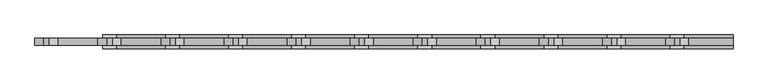
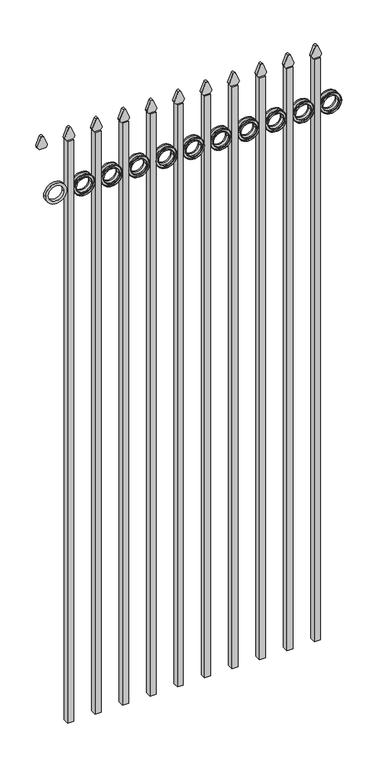
"""IFC4 building model written with IfcOpenShell, lengths in millimetres: railing geometry."""

from ifc_helpers import new_model, si_unit, point, frame, frame_2d, origin, place, context, project, spatial, polyline, circle_curve, trimmed, segment, composite_curve, outline, extrude, source, transform, mapped, element, save


def railing_fd68e981(model_context):
    return source(origin(), model_context, "Body", "SweptSolid", [
        extrude(outline(composite_curve([segment(polyline([(2683.8798417, -22591.9399936), (2683.8798417, -22566.2493116)]), True, "CONTINUOUS"), segment(trimmed(circle_curve(frame_2d((2702.1299402, -22580.4122336)), 23.1009622), [point((2683.8798417, -22566.2493116))], [point((2696.6676176, -22557.9663545))], False, "CARTESIAN"), True, "CONTINUOUS"), segment(polyline([(2696.6676176, -22557.9663545), (2737.1555225, -22574.2855644)]), True, "CONTINUOUS"), segment(trimmed(circle_curve(frame_2d((2734.0045804, -22579.4155764)), 6.0204202), [point((2737.1555225, -22574.2855644))], [point((2737.1555225, -22584.5455884))], False, "CARTESIAN"), True, "CONTINUOUS"), segment(polyline([(2737.1555225, -22584.5455884), (2697.9339948, -22600.4937724)]), True, "CONTINUOUS"), segment(trimmed(circle_curve(frame_2d((2702.1299402, -22577.7770716)), 23.1009622), [point((2697.9339948, -22600.4937724))], [point((2683.8798417, -22591.9399936))], False, "CARTESIAN"), True, "CONTINUOUS")], self_intersect=False)), frame((0.0, 5790.569541, 0.0), z_axis=(0.0, 1.0, 0.0), x_axis=(0.0, 0.0, 1.0)), (0.0, 0.0, 1.0), 12.7),
        extrude(outline(composite_curve([segment(trimmed(circle_curve(frame_2d((2461.3853669, -22520.4442595)), 45.6988591), [point((2461.3853669, -22474.7454004))], [point((2461.3853669, -22566.1431186))], False, "CARTESIAN"), True, "CONTINUOUS"), segment(trimmed(circle_curve(frame_2d((2461.3853669, -22520.4442595)), 45.6988591), [point((2461.3853669, -22566.1431186))], [point((2461.3853669, -22474.7454004))], False, "CARTESIAN"), True, "CONTINUOUS")], self_intersect=False), holes=[composite_curve([segment(trimmed(circle_curve(frame_2d((2461.3853669, -22520.4442595)), 33.0443887), [point((2461.3853669, -22487.3998708))], [point((2461.3853669, -22553.4886482))], True, "CARTESIAN"), True, "CONTINUOUS"), segment(trimmed(circle_curve(frame_2d((2461.3853669, -22520.4442595)), 33.0443887), [point((2461.3853669, -22553.4886482))], [point((2461.3853669, -22487.3998708))], True, "CARTESIAN"), True, "CONTINUOUS")], self_intersect=False)]), frame((0.0, 5790.569541, 0.0), z_axis=(0.0, 1.0, 0.0), x_axis=(0.0, 0.0, 1.0)), (0.0, 0.0, 1.0), 12.7),
        extrude(outline(polyline([(-22591.9399936, 5809.619541), (-22566.5399936, 5809.619541), (-22566.5399936, 5784.219541), (-22591.9399936, 5784.219541), (-22591.9399936, 5809.619541)])), frame((0.0, 0.0, 50.8), z_axis=(0.0, 0.0, 1.0), x_axis=(1.0, 0.0, 0.0)), (0.0, 0.0, 1.0), 2632.8579232),
        extrude(outline(composite_curve([segment(trimmed(circle_curve(frame_2d((2461.3853669, -22520.4442595)), 45.6988591), [point((2461.3853669, -22474.7454004))], [point((2461.3853669, -22566.1431186))], False, "CARTESIAN"), True, "CONTINUOUS"), segment(trimmed(circle_curve(frame_2d((2461.3853669, -22520.4442595)), 45.6988591), [point((2461.3853669, -22566.1431186))], [point((2461.3853669, -22474.7454004))], False, "CARTESIAN"), True, "CONTINUOUS")], self_intersect=False), holes=[composite_curve([segment(trimmed(circle_curve(frame_2d((2461.3853669, -22520.4442595)), 44.101539), [point((2461.3853669, -22476.3427205))], [point((2461.3853669, -22564.5457985))], True, "CARTESIAN"), True, "CONTINUOUS"), segment(trimmed(circle_curve(frame_2d((2461.3853669, -22520.4442595)), 44.101539), [point((2461.3853669, -22564.5457985))], [point((2461.3853669, -22476.3427205))], True, "CARTESIAN"), True, "CONTINUOUS")], self_intersect=False)]), frame((0.0, 5784.219541, 0.0), z_axis=(0.0, 1.0, 0.0), x_axis=(0.0, 0.0, 1.0)), (0.0, 0.0, 1.0), 25.4),
        extrude(outline(composite_curve([segment(trimmed(circle_curve(frame_2d((2461.3853669, -22520.4442595)), 34.6370762), [point((2461.3853669, -22485.8071833))], [point((2461.3853669, -22555.0813357))], False, "CARTESIAN"), True, "CONTINUOUS"), segment(trimmed(circle_curve(frame_2d((2461.3853669, -22520.4442595)), 34.6370762), [point((2461.3853669, -22555.0813357))], [point((2461.3853669, -22485.8071833))], False, "CARTESIAN"), True, "CONTINUOUS")], self_intersect=False), holes=[composite_curve([segment(trimmed(circle_curve(frame_2d((2461.3853669, -22520.4442595)), 33.0443887), [point((2461.3853669, -22487.3998708))], [point((2461.3853669, -22553.4886482))], True, "CARTESIAN"), True, "CONTINUOUS"), segment(trimmed(circle_curve(frame_2d((2461.3853669, -22520.4442595)), 33.0443887), [point((2461.3853669, -22553.4886482))], [point((2461.3853669, -22487.3998708))], True, "CARTESIAN"), True, "CONTINUOUS")], self_intersect=False)]), frame((0.0, 5784.219541, 0.0), z_axis=(0.0, 1.0, 0.0), x_axis=(0.0, 0.0, 1.0)), (0.0, 0.0, 1.0), 25.4),
        extrude(outline(composite_curve([segment(polyline([(2683.8798417, -22709.4149936), (2683.8798417, -22683.7243116)]), True, "CONTINUOUS"), segment(trimmed(circle_curve(frame_2d((2702.1299402, -22697.8872336)), 23.1009622), [point((2683.8798417, -22683.7243116))], [point((2696.6676176, -22675.4413545))], False, "CARTESIAN"), True, "CONTINUOUS"), segment(polyline([(2696.6676176, -22675.4413545), (2737.1555225, -22691.7605644)]), True, "CONTINUOUS"), segment(trimmed(circle_curve(frame_2d((2734.0045804, -22696.8905764)), 6.0204202), [point((2737.1555225, -22691.7605644))], [point((2737.1555225, -22702.0205884))], False, "CARTESIAN"), True, "CONTINUOUS"), segment(polyline([(2737.1555225, -22702.0205884), (2697.9339948, -22717.9687724)]), True, "CONTINUOUS"), segment(trimmed(circle_curve(frame_2d((2702.1299402, -22695.2520716)), 23.1009622), [point((2697.9339948, -22717.9687724))], [point((2683.8798417, -22709.4149936))], False, "CARTESIAN"), True, "CONTINUOUS")], self_intersect=False)), frame((0.0, 5790.569541, 0.0), z_axis=(0.0, 1.0, 0.0), x_axis=(0.0, 0.0, 1.0)), (0.0, 0.0, 1.0), 12.7),
        extrude(outline(composite_curve([segment(trimmed(circle_curve(frame_2d((2461.3853669, -22637.9192595)), 45.6988591), [point((2461.3853669, -22592.2204004))], [point((2461.3853669, -22683.6181186))], False, "CARTESIAN"), True, "CONTINUOUS"), segment(trimmed(circle_curve(frame_2d((2461.3853669, -22637.9192595)), 45.6988591), [point((2461.3853669, -22683.6181186))], [point((2461.3853669, -22592.2204004))], False, "CARTESIAN"), True, "CONTINUOUS")], self_intersect=False), holes=[composite_curve([segment(trimmed(circle_curve(frame_2d((2461.3853669, -22637.9192595)), 33.0443887), [point((2461.3853669, -22604.8748708))], [point((2461.3853669, -22670.9636482))], True, "CARTESIAN"), True, "CONTINUOUS"), segment(trimmed(circle_curve(frame_2d((2461.3853669, -22637.9192595)), 33.0443887), [point((2461.3853669, -22670.9636482))], [point((2461.3853669, -22604.8748708))], True, "CARTESIAN"), True, "CONTINUOUS")], self_intersect=False)]), frame((0.0, 5790.569541, 0.0), z_axis=(0.0, 1.0, 0.0), x_axis=(0.0, 0.0, 1.0)), (0.0, 0.0, 1.0), 12.7),
        extrude(outline(polyline([(-22709.4149936, 5809.619541), (-22684.0149936, 5809.619541), (-22684.0149936, 5784.219541), (-22709.4149936, 5784.219541), (-22709.4149936, 5809.619541)])), frame((0.0, 0.0, 50.8), z_axis=(0.0, 0.0, 1.0), x_axis=(1.0, 0.0, 0.0)), (0.0, 0.0, 1.0), 2632.8579232),
        extrude(outline(composite_curve([segment(trimmed(circle_curve(frame_2d((2461.3853669, -22637.9192595)), 45.6988591), [point((2461.3853669, -22592.2204004))], [point((2461.3853669, -22683.6181186))], False, "CARTESIAN"), True, "CONTINUOUS"), segment(trimmed(circle_curve(frame_2d((2461.3853669, -22637.9192595)), 45.6988591), [point((2461.3853669, -22683.6181186))], [point((2461.3853669, -22592.2204004))], False, "CARTESIAN"), True, "CONTINUOUS")], self_intersect=False), holes=[composite_curve([segment(trimmed(circle_curve(frame_2d((2461.3853669, -22637.9192595)), 44.101539), [point((2461.3853669, -22593.8177205))], [point((2461.3853669, -22682.0207985))], True, "CARTESIAN"), True, "CONTINUOUS"), segment(trimmed(circle_curve(frame_2d((2461.3853669, -22637.9192595)), 44.101539), [point((2461.3853669, -22682.0207985))], [point((2461.3853669, -22593.8177205))], True, "CARTESIAN"), True, "CONTINUOUS")], self_intersect=False)]), frame((0.0, 5784.219541, 0.0), z_axis=(0.0, 1.0, 0.0), x_axis=(0.0, 0.0, 1.0)), (0.0, 0.0, 1.0), 25.4),
        extrude(outline(composite_curve([segment(trimmed(circle_curve(frame_2d((2461.3853669, -22637.9192595)), 34.6370762), [point((2461.3853669, -22603.2821833))], [point((2461.3853669, -22672.5563357))], False, "CARTESIAN"), True, "CONTINUOUS"), segment(trimmed(circle_curve(frame_2d((2461.3853669, -22637.9192595)), 34.6370762), [point((2461.3853669, -22672.5563357))], [point((2461.3853669, -22603.2821833))], False, "CARTESIAN"), True, "CONTINUOUS")], self_intersect=False), holes=[composite_curve([segment(trimmed(circle_curve(frame_2d((2461.3853669, -22637.9192595)), 33.0443887), [point((2461.3853669, -22604.8748708))], [point((2461.3853669, -22670.9636482))], True, "CARTESIAN"), True, "CONTINUOUS"), segment(trimmed(circle_curve(frame_2d((2461.3853669, -22637.9192595)), 33.0443887), [point((2461.3853669, -22670.9636482))], [point((2461.3853669, -22604.8748708))], True, "CARTESIAN"), True, "CONTINUOUS")], self_intersect=False)]), frame((0.0, 5784.219541, 0.0), z_axis=(0.0, 1.0, 0.0), x_axis=(0.0, 0.0, 1.0)), (0.0, 0.0, 1.0), 25.4),
        extrude(outline(composite_curve([segment(polyline([(2683.8798417, -22826.8899936), (2683.8798417, -22801.1993116)]), True, "CONTINUOUS"), segment(trimmed(circle_curve(frame_2d((2702.1299402, -22815.3622336)), 23.1009622), [point((2683.8798417, -22801.1993116))], [point((2696.6676176, -22792.9163545))], False, "CARTESIAN"), True, "CONTINUOUS"), segment(polyline([(2696.6676176, -22792.9163545), (2737.1555225, -22809.2355644)]), True, "CONTINUOUS"), segment(trimmed(circle_curve(frame_2d((2734.0045804, -22814.3655764)), 6.0204202), [point((2737.1555225, -22809.2355644))], [point((2737.1555225, -22819.4955884))], False, "CARTESIAN"), True, "CONTINUOUS"), segment(polyline([(2737.1555225, -22819.4955884), (2697.9339948, -22835.4437724)]), True, "CONTINUOUS"), segment(trimmed(circle_curve(frame_2d((2702.1299402, -22812.7270716)), 23.1009622), [point((2697.9339948, -22835.4437724))], [point((2683.8798417, -22826.8899936))], False, "CARTESIAN"), True, "CONTINUOUS")], self_intersect=False)), frame((0.0, 5790.569541, 0.0), z_axis=(0.0, 1.0, 0.0), x_axis=(0.0, 0.0, 1.0)), (0.0, 0.0, 1.0), 12.7),
        extrude(outline(composite_curve([segment(trimmed(circle_curve(frame_2d((2461.3853669, -22755.3942595)), 45.6988591), [point((2461.3853669, -22709.6954004))], [point((2461.3853669, -22801.0931186))], False, "CARTESIAN"), True, "CONTINUOUS"), segment(trimmed(circle_curve(frame_2d((2461.3853669, -22755.3942595)), 45.6988591), [point((2461.3853669, -22801.0931186))], [point((2461.3853669, -22709.6954004))], False, "CARTESIAN"), True, "CONTINUOUS")], self_intersect=False), holes=[composite_curve([segment(trimmed(circle_curve(frame_2d((2461.3853669, -22755.3942595)), 33.0443887), [point((2461.3853669, -22722.3498708))], [point((2461.3853669, -22788.4386482))], True, "CARTESIAN"), True, "CONTINUOUS"), segment(trimmed(circle_curve(frame_2d((2461.3853669, -22755.3942595)), 33.0443887), [point((2461.3853669, -22788.4386482))], [point((2461.3853669, -22722.3498708))], True, "CARTESIAN"), True, "CONTINUOUS")], self_intersect=False)]), frame((0.0, 5790.569541, 0.0), z_axis=(0.0, 1.0, 0.0), x_axis=(0.0, 0.0, 1.0)), (0.0, 0.0, 1.0), 12.7),
        extrude(outline(polyline([(-22826.8899936, 5809.619541), (-22801.4899936, 5809.619541), (-22801.4899936, 5784.219541), (-22826.8899936, 5784.219541), (-22826.8899936, 5809.619541)])), frame((0.0, 0.0, 50.8), z_axis=(0.0, 0.0, 1.0), x_axis=(1.0, 0.0, 0.0)), (0.0, 0.0, 1.0), 2632.8579232),
        extrude(outline(composite_curve([segment(trimmed(circle_curve(frame_2d((2461.3853669, -22755.3942595)), 45.6988591), [point((2461.3853669, -22709.6954004))], [point((2461.3853669, -22801.0931186))], False, "CARTESIAN"), True, "CONTINUOUS"), segment(trimmed(circle_curve(frame_2d((2461.3853669, -22755.3942595)), 45.6988591), [point((2461.3853669, -22801.0931186))], [point((2461.3853669, -22709.6954004))], False, "CARTESIAN"), True, "CONTINUOUS")], self_intersect=False), holes=[composite_curve([segment(trimmed(circle_curve(frame_2d((2461.3853669, -22755.3942595)), 44.101539), [point((2461.3853669, -22711.2927205))], [point((2461.3853669, -22799.4957985))], True, "CARTESIAN"), True, "CONTINUOUS"), segment(trimmed(circle_curve(frame_2d((2461.3853669, -22755.3942595)), 44.101539), [point((2461.3853669, -22799.4957985))], [point((2461.3853669, -22711.2927205))], True, "CARTESIAN"), True, "CONTINUOUS")], self_intersect=False)]), frame((0.0, 5784.219541, 0.0), z_axis=(0.0, 1.0, 0.0), x_axis=(0.0, 0.0, 1.0)), (0.0, 0.0, 1.0), 25.4),
        extrude(outline(composite_curve([segment(trimmed(circle_curve(frame_2d((2461.3853669, -22755.3942595)), 34.6370762), [point((2461.3853669, -22720.7571833))], [point((2461.3853669, -22790.0313357))], False, "CARTESIAN"), True, "CONTINUOUS"), segment(trimmed(circle_curve(frame_2d((2461.3853669, -22755.3942595)), 34.6370762), [point((2461.3853669, -22790.0313357))], [point((2461.3853669, -22720.7571833))], False, "CARTESIAN"), True, "CONTINUOUS")], self_intersect=False), holes=[composite_curve([segment(trimmed(circle_curve(frame_2d((2461.3853669, -22755.3942595)), 33.0443887), [point((2461.3853669, -22722.3498708))], [point((2461.3853669, -22788.4386482))], True, "CARTESIAN"), True, "CONTINUOUS"), segment(trimmed(circle_curve(frame_2d((2461.3853669, -22755.3942595)), 33.0443887), [point((2461.3853669, -22788.4386482))], [point((2461.3853669, -22722.3498708))], True, "CARTESIAN"), True, "CONTINUOUS")], self_intersect=False)]), frame((0.0, 5784.219541, 0.0), z_axis=(0.0, 1.0, 0.0), x_axis=(0.0, 0.0, 1.0)), (0.0, 0.0, 1.0), 25.4),
        extrude(outline(composite_curve([segment(polyline([(2683.8798417, -22944.3649936), (2683.8798417, -22918.6743116)]), True, "CONTINUOUS"), segment(trimmed(circle_curve(frame_2d((2702.1299402, -22932.8372336)), 23.1009622), [point((2683.8798417, -22918.6743116))], [point((2696.6676176, -22910.3913545))], False, "CARTESIAN"), True, "CONTINUOUS"), segment(polyline([(2696.6676176, -22910.3913545), (2737.1555225, -22926.7105644)]), True, "CONTINUOUS"), segment(trimmed(circle_curve(frame_2d((2734.0045804, -22931.8405764)), 6.0204202), [point((2737.1555225, -22926.7105644))], [point((2737.1555225, -22936.9705884))], False, "CARTESIAN"), True, "CONTINUOUS"), segment(polyline([(2737.1555225, -22936.9705884), (2697.9339948, -22952.9187724)]), True, "CONTINUOUS"), segment(trimmed(circle_curve(frame_2d((2702.1299402, -22930.2020716)), 23.1009622), [point((2697.9339948, -22952.9187724))], [point((2683.8798417, -22944.3649936))], False, "CARTESIAN"), True, "CONTINUOUS")], self_intersect=False)), frame((0.0, 5790.569541, 0.0), z_axis=(0.0, 1.0, 0.0), x_axis=(0.0, 0.0, 1.0)), (0.0, 0.0, 1.0), 12.7),
        extrude(outline(composite_curve([segment(trimmed(circle_curve(frame_2d((2461.3853669, -22872.8692595)), 45.6988591), [point((2461.3853669, -22827.1704004))], [point((2461.3853669, -22918.5681186))], False, "CARTESIAN"), True, "CONTINUOUS"), segment(trimmed(circle_curve(frame_2d((2461.3853669, -22872.8692595)), 45.6988591), [point((2461.3853669, -22918.5681186))], [point((2461.3853669, -22827.1704004))], False, "CARTESIAN"), True, "CONTINUOUS")], self_intersect=False), holes=[composite_curve([segment(trimmed(circle_curve(frame_2d((2461.3853669, -22872.8692595)), 33.0443887), [point((2461.3853669, -22839.8248708))], [point((2461.3853669, -22905.9136482))], True, "CARTESIAN"), True, "CONTINUOUS"), segment(trimmed(circle_curve(frame_2d((2461.3853669, -22872.8692595)), 33.0443887), [point((2461.3853669, -22905.9136482))], [point((2461.3853669, -22839.8248708))], True, "CARTESIAN"), True, "CONTINUOUS")], self_intersect=False)]), frame((0.0, 5790.569541, 0.0), z_axis=(0.0, 1.0, 0.0), x_axis=(0.0, 0.0, 1.0)), (0.0, 0.0, 1.0), 12.7),
        extrude(outline(polyline([(-22944.3649936, 5809.619541), (-22918.9649936, 5809.619541), (-22918.9649936, 5784.219541), (-22944.3649936, 5784.219541), (-22944.3649936, 5809.619541)])), frame((0.0, 0.0, 50.8), z_axis=(0.0, 0.0, 1.0), x_axis=(1.0, 0.0, 0.0)), (0.0, 0.0, 1.0), 2632.8579232),
        extrude(outline(composite_curve([segment(trimmed(circle_curve(frame_2d((2461.3853669, -22872.8692595)), 45.6988591), [point((2461.3853669, -22827.1704004))], [point((2461.3853669, -22918.5681186))], False, "CARTESIAN"), True, "CONTINUOUS"), segment(trimmed(circle_curve(frame_2d((2461.3853669, -22872.8692595)), 45.6988591), [point((2461.3853669, -22918.5681186))], [point((2461.3853669, -22827.1704004))], False, "CARTESIAN"), True, "CONTINUOUS")], self_intersect=False), holes=[composite_curve([segment(trimmed(circle_curve(frame_2d((2461.3853669, -22872.8692595)), 44.101539), [point((2461.3853669, -22828.7677205))], [point((2461.3853669, -22916.9707985))], True, "CARTESIAN"), True, "CONTINUOUS"), segment(trimmed(circle_curve(frame_2d((2461.3853669, -22872.8692595)), 44.101539), [point((2461.3853669, -22916.9707985))], [point((2461.3853669, -22828.7677205))], True, "CARTESIAN"), True, "CONTINUOUS")], self_intersect=False)]), frame((0.0, 5784.219541, 0.0), z_axis=(0.0, 1.0, 0.0), x_axis=(0.0, 0.0, 1.0)), (0.0, 0.0, 1.0), 25.4),
        extrude(outline(composite_curve([segment(trimmed(circle_curve(frame_2d((2461.3853669, -22872.8692595)), 34.6370762), [point((2461.3853669, -22838.2321833))], [point((2461.3853669, -22907.5063357))], False, "CARTESIAN"), True, "CONTINUOUS"), segment(trimmed(circle_curve(frame_2d((2461.3853669, -22872.8692595)), 34.6370762), [point((2461.3853669, -22907.5063357))], [point((2461.3853669, -22838.2321833))], False, "CARTESIAN"), True, "CONTINUOUS")], self_intersect=False), holes=[composite_curve([segment(trimmed(circle_curve(frame_2d((2461.3853669, -22872.8692595)), 33.0443887), [point((2461.3853669, -22839.8248708))], [point((2461.3853669, -22905.9136482))], True, "CARTESIAN"), True, "CONTINUOUS"), segment(trimmed(circle_curve(frame_2d((2461.3853669, -22872.8692595)), 33.0443887), [point((2461.3853669, -22905.9136482))], [point((2461.3853669, -22839.8248708))], True, "CARTESIAN"), True, "CONTINUOUS")], self_intersect=False)]), frame((0.0, 5784.219541, 0.0), z_axis=(0.0, 1.0, 0.0), x_axis=(0.0, 0.0, 1.0)), (0.0, 0.0, 1.0), 25.4),
        extrude(outline(composite_curve([segment(polyline([(2683.8798417, -23061.8399936), (2683.8798417, -23036.1493116)]), True, "CONTINUOUS"), segment(trimmed(circle_curve(frame_2d((2702.1299402, -23050.3122336)), 23.1009622), [point((2683.8798417, -23036.1493116))], [point((2696.6676176, -23027.8663545))], False, "CARTESIAN"), True, "CONTINUOUS"), segment(polyline([(2696.6676176, -23027.8663545), (2737.1555225, -23044.1855644)]), True, "CONTINUOUS"), segment(trimmed(circle_curve(frame_2d((2734.0045804, -23049.3155764)), 6.0204202), [point((2737.1555225, -23044.1855644))], [point((2737.1555225, -23054.4455884))], False, "CARTESIAN"), True, "CONTINUOUS"), segment(polyline([(2737.1555225, -23054.4455884), (2697.9339948, -23070.3937724)]), True, "CONTINUOUS"), segment(trimmed(circle_curve(frame_2d((2702.1299402, -23047.6770716)), 23.1009622), [point((2697.9339948, -23070.3937724))], [point((2683.8798417, -23061.8399936))], False, "CARTESIAN"), True, "CONTINUOUS")], self_intersect=False)), frame((0.0, 5790.569541, 0.0), z_axis=(0.0, 1.0, 0.0), x_axis=(0.0, 0.0, 1.0)), (0.0, 0.0, 1.0), 12.7),
        extrude(outline(composite_curve([segment(trimmed(circle_curve(frame_2d((2461.3853669, -22990.3442595)), 45.6988591), [point((2461.3853669, -22944.6454004))], [point((2461.3853669, -23036.0431186))], False, "CARTESIAN"), True, "CONTINUOUS"), segment(trimmed(circle_curve(frame_2d((2461.3853669, -22990.3442595)), 45.6988591), [point((2461.3853669, -23036.0431186))], [point((2461.3853669, -22944.6454004))], False, "CARTESIAN"), True, "CONTINUOUS")], self_intersect=False), holes=[composite_curve([segment(trimmed(circle_curve(frame_2d((2461.3853669, -22990.3442595)), 33.0443887), [point((2461.3853669, -22957.2998708))], [point((2461.3853669, -23023.3886482))], True, "CARTESIAN"), True, "CONTINUOUS"), segment(trimmed(circle_curve(frame_2d((2461.3853669, -22990.3442595)), 33.0443887), [point((2461.3853669, -23023.3886482))], [point((2461.3853669, -22957.2998708))], True, "CARTESIAN"), True, "CONTINUOUS")], self_intersect=False)]), frame((0.0, 5790.569541, 0.0), z_axis=(0.0, 1.0, 0.0), x_axis=(0.0, 0.0, 1.0)), (0.0, 0.0, 1.0), 12.7),
        extrude(outline(polyline([(-23061.8399936, 5809.619541), (-23036.4399936, 5809.619541), (-23036.4399936, 5784.219541), (-23061.8399936, 5784.219541), (-23061.8399936, 5809.619541)])), frame((0.0, 0.0, 50.8), z_axis=(0.0, 0.0, 1.0), x_axis=(1.0, 0.0, 0.0)), (0.0, 0.0, 1.0), 2632.8579232),
        extrude(outline(composite_curve([segment(trimmed(circle_curve(frame_2d((2461.3853669, -22990.3442595)), 45.6988591), [point((2461.3853669, -22944.6454004))], [point((2461.3853669, -23036.0431186))], False, "CARTESIAN"), True, "CONTINUOUS"), segment(trimmed(circle_curve(frame_2d((2461.3853669, -22990.3442595)), 45.6988591), [point((2461.3853669, -23036.0431186))], [point((2461.3853669, -22944.6454004))], False, "CARTESIAN"), True, "CONTINUOUS")], self_intersect=False), holes=[composite_curve([segment(trimmed(circle_curve(frame_2d((2461.3853669, -22990.3442595)), 44.101539), [point((2461.3853669, -22946.2427205))], [point((2461.3853669, -23034.4457985))], True, "CARTESIAN"), True, "CONTINUOUS"), segment(trimmed(circle_curve(frame_2d((2461.3853669, -22990.3442595)), 44.101539), [point((2461.3853669, -23034.4457985))], [point((2461.3853669, -22946.2427205))], True, "CARTESIAN"), True, "CONTINUOUS")], self_intersect=False)]), frame((0.0, 5784.219541, 0.0), z_axis=(0.0, 1.0, 0.0), x_axis=(0.0, 0.0, 1.0)), (0.0, 0.0, 1.0), 25.4),
        extrude(outline(composite_curve([segment(trimmed(circle_curve(frame_2d((2461.3853669, -22990.3442595)), 34.6370762), [point((2461.3853669, -22955.7071833))], [point((2461.3853669, -23024.9813357))], False, "CARTESIAN"), True, "CONTINUOUS"), segment(trimmed(circle_curve(frame_2d((2461.3853669, -22990.3442595)), 34.6370762), [point((2461.3853669, -23024.9813357))], [point((2461.3853669, -22955.7071833))], False, "CARTESIAN"), True, "CONTINUOUS")], self_intersect=False), holes=[composite_curve([segment(trimmed(circle_curve(frame_2d((2461.3853669, -22990.3442595)), 33.0443887), [point((2461.3853669, -22957.2998708))], [point((2461.3853669, -23023.3886482))], True, "CARTESIAN"), True, "CONTINUOUS"), segment(trimmed(circle_curve(frame_2d((2461.3853669, -22990.3442595)), 33.0443887), [point((2461.3853669, -23023.3886482))], [point((2461.3853669, -22957.2998708))], True, "CARTESIAN"), True, "CONTINUOUS")], self_intersect=False)]), frame((0.0, 5784.219541, 0.0), z_axis=(0.0, 1.0, 0.0), x_axis=(0.0, 0.0, 1.0)), (0.0, 0.0, 1.0), 25.4),
        extrude(outline(composite_curve([segment(polyline([(2683.8798417, -23179.3149936), (2683.8798417, -23153.6243116)]), True, "CONTINUOUS"), segment(trimmed(circle_curve(frame_2d((2702.1299402, -23167.7872336)), 23.1009622), [point((2683.8798417, -23153.6243116))], [point((2696.6676176, -23145.3413545))], False, "CARTESIAN"), True, "CONTINUOUS"), segment(polyline([(2696.6676176, -23145.3413545), (2737.1555225, -23161.6605644)]), True, "CONTINUOUS"), segment(trimmed(circle_curve(frame_2d((2734.0045804, -23166.7905764)), 6.0204202), [point((2737.1555225, -23161.6605644))], [point((2737.1555225, -23171.9205884))], False, "CARTESIAN"), True, "CONTINUOUS"), segment(polyline([(2737.1555225, -23171.9205884), (2697.9339948, -23187.8687724)]), True, "CONTINUOUS"), segment(trimmed(circle_curve(frame_2d((2702.1299402, -23165.1520716)), 23.1009622), [point((2697.9339948, -23187.8687724))], [point((2683.8798417, -23179.3149936))], False, "CARTESIAN"), True, "CONTINUOUS")], self_intersect=False)), frame((0.0, 5790.569541, 0.0), z_axis=(0.0, 1.0, 0.0), x_axis=(0.0, 0.0, 1.0)), (0.0, 0.0, 1.0), 12.7),
        extrude(outline(composite_curve([segment(trimmed(circle_curve(frame_2d((2461.3853669, -23107.8192595)), 45.6988591), [point((2461.3853669, -23062.1204004))], [point((2461.3853669, -23153.5181186))], False, "CARTESIAN"), True, "CONTINUOUS"), segment(trimmed(circle_curve(frame_2d((2461.3853669, -23107.8192595)), 45.6988591), [point((2461.3853669, -23153.5181186))], [point((2461.3853669, -23062.1204004))], False, "CARTESIAN"), True, "CONTINUOUS")], self_intersect=False), holes=[composite_curve([segment(trimmed(circle_curve(frame_2d((2461.3853669, -23107.8192595)), 33.0443887), [point((2461.3853669, -23074.7748708))], [point((2461.3853669, -23140.8636482))], True, "CARTESIAN"), True, "CONTINUOUS"), segment(trimmed(circle_curve(frame_2d((2461.3853669, -23107.8192595)), 33.0443887), [point((2461.3853669, -23140.8636482))], [point((2461.3853669, -23074.7748708))], True, "CARTESIAN"), True, "CONTINUOUS")], self_intersect=False)]), frame((0.0, 5790.569541, 0.0), z_axis=(0.0, 1.0, 0.0), x_axis=(0.0, 0.0, 1.0)), (0.0, 0.0, 1.0), 12.7),
        extrude(outline(polyline([(-23179.3149936, 5809.619541), (-23153.9149936, 5809.619541), (-23153.9149936, 5784.219541), (-23179.3149936, 5784.219541), (-23179.3149936, 5809.619541)])), frame((0.0, 0.0, 50.8), z_axis=(0.0, 0.0, 1.0), x_axis=(1.0, 0.0, 0.0)), (0.0, 0.0, 1.0), 2632.8579232),
        extrude(outline(composite_curve([segment(trimmed(circle_curve(frame_2d((2461.3853669, -23107.8192595)), 45.6988591), [point((2461.3853669, -23062.1204004))], [point((2461.3853669, -23153.5181186))], False, "CARTESIAN"), True, "CONTINUOUS"), segment(trimmed(circle_curve(frame_2d((2461.3853669, -23107.8192595)), 45.6988591), [point((2461.3853669, -23153.5181186))], [point((2461.3853669, -23062.1204004))], False, "CARTESIAN"), True, "CONTINUOUS")], self_intersect=False), holes=[composite_curve([segment(trimmed(circle_curve(frame_2d((2461.3853669, -23107.8192595)), 44.101539), [point((2461.3853669, -23063.7177205))], [point((2461.3853669, -23151.9207985))], True, "CARTESIAN"), True, "CONTINUOUS"), segment(trimmed(circle_curve(frame_2d((2461.3853669, -23107.8192595)), 44.101539), [point((2461.3853669, -23151.9207985))], [point((2461.3853669, -23063.7177205))], True, "CARTESIAN"), True, "CONTINUOUS")], self_intersect=False)]), frame((0.0, 5784.219541, 0.0), z_axis=(0.0, 1.0, 0.0), x_axis=(0.0, 0.0, 1.0)), (0.0, 0.0, 1.0), 25.4),
        extrude(outline(composite_curve([segment(trimmed(circle_curve(frame_2d((2461.3853669, -23107.8192595)), 34.6370762), [point((2461.3853669, -23073.1821833))], [point((2461.3853669, -23142.4563357))], False, "CARTESIAN"), True, "CONTINUOUS"), segment(trimmed(circle_curve(frame_2d((2461.3853669, -23107.8192595)), 34.6370762), [point((2461.3853669, -23142.4563357))], [point((2461.3853669, -23073.1821833))], False, "CARTESIAN"), True, "CONTINUOUS")], self_intersect=False), holes=[composite_curve([segment(trimmed(circle_curve(frame_2d((2461.3853669, -23107.8192595)), 33.0443887), [point((2461.3853669, -23074.7748708))], [point((2461.3853669, -23140.8636482))], True, "CARTESIAN"), True, "CONTINUOUS"), segment(trimmed(circle_curve(frame_2d((2461.3853669, -23107.8192595)), 33.0443887), [point((2461.3853669, -23140.8636482))], [point((2461.3853669, -23074.7748708))], True, "CARTESIAN"), True, "CONTINUOUS")], self_intersect=False)]), frame((0.0, 5784.219541, 0.0), z_axis=(0.0, 1.0, 0.0), x_axis=(0.0, 0.0, 1.0)), (0.0, 0.0, 1.0), 25.4),
        extrude(outline(composite_curve([segment(polyline([(2683.8798417, -23296.7899936), (2683.8798417, -23271.0993116)]), True, "CONTINUOUS"), segment(trimmed(circle_curve(frame_2d((2702.1299402, -23285.2622336)), 23.1009622), [point((2683.8798417, -23271.0993116))], [point((2696.6676176, -23262.8163545))], False, "CARTESIAN"), True, "CONTINUOUS"), segment(polyline([(2696.6676176, -23262.8163545), (2737.1555225, -23279.1355644)]), True, "CONTINUOUS"), segment(trimmed(circle_curve(frame_2d((2734.0045804, -23284.2655764)), 6.0204202), [point((2737.1555225, -23279.1355644))], [point((2737.1555225, -23289.3955884))], False, "CARTESIAN"), True, "CONTINUOUS"), segment(polyline([(2737.1555225, -23289.3955884), (2697.9339948, -23305.3437724)]), True, "CONTINUOUS"), segment(trimmed(circle_curve(frame_2d((2702.1299402, -23282.6270716)), 23.1009622), [point((2697.9339948, -23305.3437724))], [point((2683.8798417, -23296.7899936))], False, "CARTESIAN"), True, "CONTINUOUS")], self_intersect=False)), frame((0.0, 5790.569541, 0.0), z_axis=(0.0, 1.0, 0.0), x_axis=(0.0, 0.0, 1.0)), (0.0, 0.0, 1.0), 12.7),
        extrude(outline(composite_curve([segment(trimmed(circle_curve(frame_2d((2461.3853669, -23225.2942595)), 45.6988591), [point((2461.3853669, -23179.5954004))], [point((2461.3853669, -23270.9931186))], False, "CARTESIAN"), True, "CONTINUOUS"), segment(trimmed(circle_curve(frame_2d((2461.3853669, -23225.2942595)), 45.6988591), [point((2461.3853669, -23270.9931186))], [point((2461.3853669, -23179.5954004))], False, "CARTESIAN"), True, "CONTINUOUS")], self_intersect=False), holes=[composite_curve([segment(trimmed(circle_curve(frame_2d((2461.3853669, -23225.2942595)), 33.0443887), [point((2461.3853669, -23192.2498708))], [point((2461.3853669, -23258.3386482))], True, "CARTESIAN"), True, "CONTINUOUS"), segment(trimmed(circle_curve(frame_2d((2461.3853669, -23225.2942595)), 33.0443887), [point((2461.3853669, -23258.3386482))], [point((2461.3853669, -23192.2498708))], True, "CARTESIAN"), True, "CONTINUOUS")], self_intersect=False)]), frame((0.0, 5790.569541, 0.0), z_axis=(0.0, 1.0, 0.0), x_axis=(0.0, 0.0, 1.0)), (0.0, 0.0, 1.0), 12.7),
        extrude(outline(polyline([(-23296.7899936, 5809.619541), (-23271.3899936, 5809.619541), (-23271.3899936, 5784.219541), (-23296.7899936, 5784.219541), (-23296.7899936, 5809.619541)])), frame((0.0, 0.0, 50.8), z_axis=(0.0, 0.0, 1.0), x_axis=(1.0, 0.0, 0.0)), (0.0, 0.0, 1.0), 2632.8579232),
        extrude(outline(composite_curve([segment(trimmed(circle_curve(frame_2d((2461.3853669, -23225.2942595)), 45.6988591), [point((2461.3853669, -23179.5954004))], [point((2461.3853669, -23270.9931186))], False, "CARTESIAN"), True, "CONTINUOUS"), segment(trimmed(circle_curve(frame_2d((2461.3853669, -23225.2942595)), 45.6988591), [point((2461.3853669, -23270.9931186))], [point((2461.3853669, -23179.5954004))], False, "CARTESIAN"), True, "CONTINUOUS")], self_intersect=False), holes=[composite_curve([segment(trimmed(circle_curve(frame_2d((2461.3853669, -23225.2942595)), 44.101539), [point((2461.3853669, -23181.1927205))], [point((2461.3853669, -23269.3957985))], True, "CARTESIAN"), True, "CONTINUOUS"), segment(trimmed(circle_curve(frame_2d((2461.3853669, -23225.2942595)), 44.101539), [point((2461.3853669, -23269.3957985))], [point((2461.3853669, -23181.1927205))], True, "CARTESIAN"), True, "CONTINUOUS")], self_intersect=False)]), frame((0.0, 5784.219541, 0.0), z_axis=(0.0, 1.0, 0.0), x_axis=(0.0, 0.0, 1.0)), (0.0, 0.0, 1.0), 25.4),
        extrude(outline(composite_curve([segment(trimmed(circle_curve(frame_2d((2461.3853669, -23225.2942595)), 34.6370762), [point((2461.3853669, -23190.6571833))], [point((2461.3853669, -23259.9313357))], False, "CARTESIAN"), True, "CONTINUOUS"), segment(trimmed(circle_curve(frame_2d((2461.3853669, -23225.2942595)), 34.6370762), [point((2461.3853669, -23259.9313357))], [point((2461.3853669, -23190.6571833))], False, "CARTESIAN"), True, "CONTINUOUS")], self_intersect=False), holes=[composite_curve([segment(trimmed(circle_curve(frame_2d((2461.3853669, -23225.2942595)), 33.0443887), [point((2461.3853669, -23192.2498708))], [point((2461.3853669, -23258.3386482))], True, "CARTESIAN"), True, "CONTINUOUS"), segment(trimmed(circle_curve(frame_2d((2461.3853669, -23225.2942595)), 33.0443887), [point((2461.3853669, -23258.3386482))], [point((2461.3853669, -23192.2498708))], True, "CARTESIAN"), True, "CONTINUOUS")], self_intersect=False)]), frame((0.0, 5784.219541, 0.0), z_axis=(0.0, 1.0, 0.0), x_axis=(0.0, 0.0, 1.0)), (0.0, 0.0, 1.0), 25.4),
        extrude(outline(composite_curve([segment(polyline([(2683.8798417, -23414.2649936), (2683.8798417, -23388.5743116)]), True, "CONTINUOUS"), segment(trimmed(circle_curve(frame_2d((2702.1299402, -23402.7372336)), 23.1009622), [point((2683.8798417, -23388.5743116))], [point((2696.6676176, -23380.2913545))], False, "CARTESIAN"), True, "CONTINUOUS"), segment(polyline([(2696.6676176, -23380.2913545), (2737.1555225, -23396.6105644)]), True, "CONTINUOUS"), segment(trimmed(circle_curve(frame_2d((2734.0045804, -23401.7405764)), 6.0204202), [point((2737.1555225, -23396.6105644))], [point((2737.1555225, -23406.8705884))], False, "CARTESIAN"), True, "CONTINUOUS"), segment(polyline([(2737.1555225, -23406.8705884), (2697.9339948, -23422.8187724)]), True, "CONTINUOUS"), segment(trimmed(circle_curve(frame_2d((2702.1299402, -23400.1020716)), 23.1009622), [point((2697.9339948, -23422.8187724))], [point((2683.8798417, -23414.2649936))], False, "CARTESIAN"), True, "CONTINUOUS")], self_intersect=False)), frame((0.0, 5790.569541, 0.0), z_axis=(0.0, 1.0, 0.0), x_axis=(0.0, 0.0, 1.0)), (0.0, 0.0, 1.0), 12.7),
        extrude(outline(composite_curve([segment(trimmed(circle_curve(frame_2d((2461.3853669, -23342.7692595)), 45.6988591), [point((2461.3853669, -23297.0704004))], [point((2461.3853669, -23388.4681186))], False, "CARTESIAN"), True, "CONTINUOUS"), segment(trimmed(circle_curve(frame_2d((2461.3853669, -23342.7692595)), 45.6988591), [point((2461.3853669, -23388.4681186))], [point((2461.3853669, -23297.0704004))], False, "CARTESIAN"), True, "CONTINUOUS")], self_intersect=False), holes=[composite_curve([segment(trimmed(circle_curve(frame_2d((2461.3853669, -23342.7692595)), 33.0443887), [point((2461.3853669, -23309.7248708))], [point((2461.3853669, -23375.8136482))], True, "CARTESIAN"), True, "CONTINUOUS"), segment(trimmed(circle_curve(frame_2d((2461.3853669, -23342.7692595)), 33.0443887), [point((2461.3853669, -23375.8136482))], [point((2461.3853669, -23309.7248708))], True, "CARTESIAN"), True, "CONTINUOUS")], self_intersect=False)]), frame((0.0, 5790.569541, 0.0), z_axis=(0.0, 1.0, 0.0), x_axis=(0.0, 0.0, 1.0)), (0.0, 0.0, 1.0), 12.7),
        extrude(outline(polyline([(-23414.2649936, 5809.619541), (-23388.8649936, 5809.619541), (-23388.8649936, 5784.219541), (-23414.2649936, 5784.219541), (-23414.2649936, 5809.619541)])), frame((0.0, 0.0, 50.8), z_axis=(0.0, 0.0, 1.0), x_axis=(1.0, 0.0, 0.0)), (0.0, 0.0, 1.0), 2632.8579232),
        extrude(outline(composite_curve([segment(trimmed(circle_curve(frame_2d((2461.3853669, -23342.7692595)), 45.6988591), [point((2461.3853669, -23297.0704004))], [point((2461.3853669, -23388.4681186))], False, "CARTESIAN"), True, "CONTINUOUS"), segment(trimmed(circle_curve(frame_2d((2461.3853669, -23342.7692595)), 45.6988591), [point((2461.3853669, -23388.4681186))], [point((2461.3853669, -23297.0704004))], False, "CARTESIAN"), True, "CONTINUOUS")], self_intersect=False), holes=[composite_curve([segment(trimmed(circle_curve(frame_2d((2461.3853669, -23342.7692595)), 44.101539), [point((2461.3853669, -23298.6677205))], [point((2461.3853669, -23386.8707985))], True, "CARTESIAN"), True, "CONTINUOUS"), segment(trimmed(circle_curve(frame_2d((2461.3853669, -23342.7692595)), 44.101539), [point((2461.3853669, -23386.8707985))], [point((2461.3853669, -23298.6677205))], True, "CARTESIAN"), True, "CONTINUOUS")], self_intersect=False)]), frame((0.0, 5784.219541, 0.0), z_axis=(0.0, 1.0, 0.0), x_axis=(0.0, 0.0, 1.0)), (0.0, 0.0, 1.0), 25.4),
        extrude(outline(composite_curve([segment(trimmed(circle_curve(frame_2d((2461.3853669, -23342.7692595)), 34.6370762), [point((2461.3853669, -23308.1321833))], [point((2461.3853669, -23377.4063357))], False, "CARTESIAN"), True, "CONTINUOUS"), segment(trimmed(circle_curve(frame_2d((2461.3853669, -23342.7692595)), 34.6370762), [point((2461.3853669, -23377.4063357))], [point((2461.3853669, -23308.1321833))], False, "CARTESIAN"), True, "CONTINUOUS")], self_intersect=False), holes=[composite_curve([segment(trimmed(circle_curve(frame_2d((2461.3853669, -23342.7692595)), 33.0443887), [point((2461.3853669, -23309.7248708))], [point((2461.3853669, -23375.8136482))], True, "CARTESIAN"), True, "CONTINUOUS"), segment(trimmed(circle_curve(frame_2d((2461.3853669, -23342.7692595)), 33.0443887), [point((2461.3853669, -23375.8136482))], [point((2461.3853669, -23309.7248708))], True, "CARTESIAN"), True, "CONTINUOUS")], self_intersect=False)]), frame((0.0, 5784.219541, 0.0), z_axis=(0.0, 1.0, 0.0), x_axis=(0.0, 0.0, 1.0)), (0.0, 0.0, 1.0), 25.4),
        extrude(outline(composite_curve([segment(polyline([(2683.8798417, -23531.7399936), (2683.8798417, -23506.0493116)]), True, "CONTINUOUS"), segment(trimmed(circle_curve(frame_2d((2702.1299402, -23520.2122336)), 23.1009622), [point((2683.8798417, -23506.0493116))], [point((2696.6676176, -23497.7663545))], False, "CARTESIAN"), True, "CONTINUOUS"), segment(polyline([(2696.6676176, -23497.7663545), (2737.1555225, -23514.0855644)]), True, "CONTINUOUS"), segment(trimmed(circle_curve(frame_2d((2734.0045804, -23519.2155764)), 6.0204202), [point((2737.1555225, -23514.0855644))], [point((2737.1555225, -23524.3455884))], False, "CARTESIAN"), True, "CONTINUOUS"), segment(polyline([(2737.1555225, -23524.3455884), (2697.9339948, -23540.2937724)]), True, "CONTINUOUS"), segment(trimmed(circle_curve(frame_2d((2702.1299402, -23517.5770716)), 23.1009622), [point((2697.9339948, -23540.2937724))], [point((2683.8798417, -23531.7399936))], False, "CARTESIAN"), True, "CONTINUOUS")], self_intersect=False)), frame((0.0, 5790.569541, 0.0), z_axis=(0.0, 1.0, 0.0), x_axis=(0.0, 0.0, 1.0)), (0.0, 0.0, 1.0), 12.7),
        extrude(outline(composite_curve([segment(trimmed(circle_curve(frame_2d((2461.3853669, -23460.2442595)), 45.6988591), [point((2461.3853669, -23414.5454004))], [point((2461.3853669, -23505.9431186))], False, "CARTESIAN"), True, "CONTINUOUS"), segment(trimmed(circle_curve(frame_2d((2461.3853669, -23460.2442595)), 45.6988591), [point((2461.3853669, -23505.9431186))], [point((2461.3853669, -23414.5454004))], False, "CARTESIAN"), True, "CONTINUOUS")], self_intersect=False), holes=[composite_curve([segment(trimmed(circle_curve(frame_2d((2461.3853669, -23460.2442595)), 33.0443887), [point((2461.3853669, -23427.1998708))], [point((2461.3853669, -23493.2886482))], True, "CARTESIAN"), True, "CONTINUOUS"), segment(trimmed(circle_curve(frame_2d((2461.3853669, -23460.2442595)), 33.0443887), [point((2461.3853669, -23493.2886482))], [point((2461.3853669, -23427.1998708))], True, "CARTESIAN"), True, "CONTINUOUS")], self_intersect=False)]), frame((0.0, 5790.569541, 0.0), z_axis=(0.0, 1.0, 0.0), x_axis=(0.0, 0.0, 1.0)), (0.0, 0.0, 1.0), 12.7),
        extrude(outline(polyline([(-23531.7399936, 5809.619541), (-23506.3399936, 5809.619541), (-23506.3399936, 5784.219541), (-23531.7399936, 5784.219541), (-23531.7399936, 5809.619541)])), frame((0.0, 0.0, 50.8), z_axis=(0.0, 0.0, 1.0), x_axis=(1.0, 0.0, 0.0)), (0.0, 0.0, 1.0), 2632.8579232),
        extrude(outline(composite_curve([segment(trimmed(circle_curve(frame_2d((2461.3853669, -23460.2442595)), 45.6988591), [point((2461.3853669, -23414.5454004))], [point((2461.3853669, -23505.9431186))], False, "CARTESIAN"), True, "CONTINUOUS"), segment(trimmed(circle_curve(frame_2d((2461.3853669, -23460.2442595)), 45.6988591), [point((2461.3853669, -23505.9431186))], [point((2461.3853669, -23414.5454004))], False, "CARTESIAN"), True, "CONTINUOUS")], self_intersect=False), holes=[composite_curve([segment(trimmed(circle_curve(frame_2d((2461.3853669, -23460.2442595)), 44.101539), [point((2461.3853669, -23416.1427205))], [point((2461.3853669, -23504.3457985))], True, "CARTESIAN"), True, "CONTINUOUS"), segment(trimmed(circle_curve(frame_2d((2461.3853669, -23460.2442595)), 44.101539), [point((2461.3853669, -23504.3457985))], [point((2461.3853669, -23416.1427205))], True, "CARTESIAN"), True, "CONTINUOUS")], self_intersect=False)]), frame((0.0, 5784.219541, 0.0), z_axis=(0.0, 1.0, 0.0), x_axis=(0.0, 0.0, 1.0)), (0.0, 0.0, 1.0), 25.4),
        extrude(outline(composite_curve([segment(trimmed(circle_curve(frame_2d((2461.3853669, -23460.2442595)), 34.6370762), [point((2461.3853669, -23425.6071833))], [point((2461.3853669, -23494.8813357))], False, "CARTESIAN"), True, "CONTINUOUS"), segment(trimmed(circle_curve(frame_2d((2461.3853669, -23460.2442595)), 34.6370762), [point((2461.3853669, -23494.8813357))], [point((2461.3853669, -23425.6071833))], False, "CARTESIAN"), True, "CONTINUOUS")], self_intersect=False), holes=[composite_curve([segment(trimmed(circle_curve(frame_2d((2461.3853669, -23460.2442595)), 33.0443887), [point((2461.3853669, -23427.1998708))], [point((2461.3853669, -23493.2886482))], True, "CARTESIAN"), True, "CONTINUOUS"), segment(trimmed(circle_curve(frame_2d((2461.3853669, -23460.2442595)), 33.0443887), [point((2461.3853669, -23493.2886482))], [point((2461.3853669, -23427.1998708))], True, "CARTESIAN"), True, "CONTINUOUS")], self_intersect=False)]), frame((0.0, 5784.219541, 0.0), z_axis=(0.0, 1.0, 0.0), x_axis=(0.0, 0.0, 1.0)), (0.0, 0.0, 1.0), 25.4),
        extrude(outline(composite_curve([segment(polyline([(2683.8798417, -23649.2149936), (2683.8798417, -23623.5243116)]), True, "CONTINUOUS"), segment(trimmed(circle_curve(frame_2d((2702.1299402, -23637.6872336)), 23.1009622), [point((2683.8798417, -23623.5243116))], [point((2696.6676176, -23615.2413545))], False, "CARTESIAN"), True, "CONTINUOUS"), segment(polyline([(2696.6676176, -23615.2413545), (2737.1555225, -23631.5605644)]), True, "CONTINUOUS"), segment(trimmed(circle_curve(frame_2d((2734.0045804, -23636.6905764)), 6.0204202), [point((2737.1555225, -23631.5605644))], [point((2737.1555225, -23641.8205884))], False, "CARTESIAN"), True, "CONTINUOUS"), segment(polyline([(2737.1555225, -23641.8205884), (2697.9339948, -23657.7687724)]), True, "CONTINUOUS"), segment(trimmed(circle_curve(frame_2d((2702.1299402, -23635.0520716)), 23.1009622), [point((2697.9339948, -23657.7687724))], [point((2683.8798417, -23649.2149936))], False, "CARTESIAN"), True, "CONTINUOUS")], self_intersect=False)), frame((0.0, 5790.569541, 0.0), z_axis=(0.0, 1.0, 0.0), x_axis=(0.0, 0.0, 1.0)), (0.0, 0.0, 1.0), 12.7),
        extrude(outline(composite_curve([segment(trimmed(circle_curve(frame_2d((2461.3853669, -23577.7192595)), 45.6988591), [point((2461.3853669, -23532.0204004))], [point((2461.3853669, -23623.4181186))], False, "CARTESIAN"), True, "CONTINUOUS"), segment(trimmed(circle_curve(frame_2d((2461.3853669, -23577.7192595)), 45.6988591), [point((2461.3853669, -23623.4181186))], [point((2461.3853669, -23532.0204004))], False, "CARTESIAN"), True, "CONTINUOUS")], self_intersect=False), holes=[composite_curve([segment(trimmed(circle_curve(frame_2d((2461.3853669, -23577.7192595)), 33.0443887), [point((2461.3853669, -23544.6748708))], [point((2461.3853669, -23610.7636482))], True, "CARTESIAN"), True, "CONTINUOUS"), segment(trimmed(circle_curve(frame_2d((2461.3853669, -23577.7192595)), 33.0443887), [point((2461.3853669, -23610.7636482))], [point((2461.3853669, -23544.6748708))], True, "CARTESIAN"), True, "CONTINUOUS")], self_intersect=False)]), frame((0.0, 5790.569541, 0.0), z_axis=(0.0, 1.0, 0.0), x_axis=(0.0, 0.0, 1.0)), (0.0, 0.0, 1.0), 12.7),
        extrude(outline(polyline([(-23649.2149936, 5809.619541), (-23623.8149936, 5809.619541), (-23623.8149936, 5784.219541), (-23649.2149936, 5784.219541), (-23649.2149936, 5809.619541)])), frame((0.0, 0.0, 50.8), z_axis=(0.0, 0.0, 1.0), x_axis=(1.0, 0.0, 0.0)), (0.0, 0.0, 1.0), 2632.8579232),
        extrude(outline(composite_curve([segment(trimmed(circle_curve(frame_2d((2461.3853669, -23577.7192595)), 45.6988591), [point((2461.3853669, -23532.0204004))], [point((2461.3853669, -23623.4181186))], False, "CARTESIAN"), True, "CONTINUOUS"), segment(trimmed(circle_curve(frame_2d((2461.3853669, -23577.7192595)), 45.6988591), [point((2461.3853669, -23623.4181186))], [point((2461.3853669, -23532.0204004))], False, "CARTESIAN"), True, "CONTINUOUS")], self_intersect=False), holes=[composite_curve([segment(trimmed(circle_curve(frame_2d((2461.3853669, -23577.7192595)), 44.101539), [point((2461.3853669, -23533.6177205))], [point((2461.3853669, -23621.8207985))], True, "CARTESIAN"), True, "CONTINUOUS"), segment(trimmed(circle_curve(frame_2d((2461.3853669, -23577.7192595)), 44.101539), [point((2461.3853669, -23621.8207985))], [point((2461.3853669, -23533.6177205))], True, "CARTESIAN"), True, "CONTINUOUS")], self_intersect=False)]), frame((0.0, 5784.219541, 0.0), z_axis=(0.0, 1.0, 0.0), x_axis=(0.0, 0.0, 1.0)), (0.0, 0.0, 1.0), 25.4),
        extrude(outline(composite_curve([segment(trimmed(circle_curve(frame_2d((2461.3853669, -23577.7192595)), 34.6370762), [point((2461.3853669, -23543.0821833))], [point((2461.3853669, -23612.3563357))], False, "CARTESIAN"), True, "CONTINUOUS"), segment(trimmed(circle_curve(frame_2d((2461.3853669, -23577.7192595)), 34.6370762), [point((2461.3853669, -23612.3563357))], [point((2461.3853669, -23543.0821833))], False, "CARTESIAN"), True, "CONTINUOUS")], self_intersect=False), holes=[composite_curve([segment(trimmed(circle_curve(frame_2d((2461.3853669, -23577.7192595)), 33.0443887), [point((2461.3853669, -23544.6748708))], [point((2461.3853669, -23610.7636482))], True, "CARTESIAN"), True, "CONTINUOUS"), segment(trimmed(circle_curve(frame_2d((2461.3853669, -23577.7192595)), 33.0443887), [point((2461.3853669, -23610.7636482))], [point((2461.3853669, -23544.6748708))], True, "CARTESIAN"), True, "CONTINUOUS")], self_intersect=False)]), frame((0.0, 5784.219541, 0.0), z_axis=(0.0, 1.0, 0.0), x_axis=(0.0, 0.0, 1.0)), (0.0, 0.0, 1.0), 25.4),
        extrude(outline(composite_curve([segment(polyline([(2683.8798417, -23766.6899936), (2683.8798417, -23740.9993116)]), True, "CONTINUOUS"), segment(trimmed(circle_curve(frame_2d((2702.1299402, -23755.1622336)), 23.1009622), [point((2683.8798417, -23740.9993116))], [point((2696.6676176, -23732.7163545))], False, "CARTESIAN"), True, "CONTINUOUS"), segment(polyline([(2696.6676176, -23732.7163545), (2737.1555225, -23749.0355644)]), True, "CONTINUOUS"), segment(trimmed(circle_curve(frame_2d((2734.0045804, -23754.1655764)), 6.0204202), [point((2737.1555225, -23749.0355644))], [point((2737.1555225, -23759.2955884))], False, "CARTESIAN"), True, "CONTINUOUS"), segment(polyline([(2737.1555225, -23759.2955884), (2697.9339948, -23775.2437724)]), True, "CONTINUOUS"), segment(trimmed(circle_curve(frame_2d((2702.1299402, -23752.5270716)), 23.1009622), [point((2697.9339948, -23775.2437724))], [point((2683.8798417, -23766.6899936))], False, "CARTESIAN"), True, "CONTINUOUS")], self_intersect=False)), frame((0.0, 5790.569541, 0.0), z_axis=(0.0, 1.0, 0.0), x_axis=(0.0, 0.0, 1.0)), (0.0, 0.0, 1.0), 12.7),
        extrude(outline(composite_curve([segment(trimmed(circle_curve(frame_2d((2461.3853669, -23695.1942595)), 45.6988591), [point((2461.3853669, -23649.4954004))], [point((2461.3853669, -23740.8931186))], False, "CARTESIAN"), True, "CONTINUOUS"), segment(trimmed(circle_curve(frame_2d((2461.3853669, -23695.1942595)), 45.6988591), [point((2461.3853669, -23740.8931186))], [point((2461.3853669, -23649.4954004))], False, "CARTESIAN"), True, "CONTINUOUS")], self_intersect=False), holes=[composite_curve([segment(trimmed(circle_curve(frame_2d((2461.3853669, -23695.1942595)), 33.0443887), [point((2461.3853669, -23662.1498708))], [point((2461.3853669, -23728.2386482))], True, "CARTESIAN"), True, "CONTINUOUS"), segment(trimmed(circle_curve(frame_2d((2461.3853669, -23695.1942595)), 33.0443887), [point((2461.3853669, -23728.2386482))], [point((2461.3853669, -23662.1498708))], True, "CARTESIAN"), True, "CONTINUOUS")], self_intersect=False)]), frame((0.0, 5790.569541, 0.0), z_axis=(0.0, 1.0, 0.0), x_axis=(0.0, 0.0, 1.0)), (0.0, 0.0, 1.0), 12.7),
    ])


if __name__ == "__main__":
    model = new_model("IFC4")
    model_context = context("Model", 3, world=origin())
    ifc_project = project(units=[si_unit("LENGTHUNIT", "METRE", prefix="MILLI")], contexts=[model_context])
    site = spatial("IfcSite", under=ifc_project)
    building = spatial("IfcBuilding", under=site)
    placement = place(None, origin())
    railing_shape = railing_fd68e981(model_context)
    element("IfcRailing", 1, at=placement, inside=building, context=model_context, shape_type="MappedRepresentation", body=[
        mapped(railing_shape, transform((0.0, 0.0, 0.0), x_axis=(1.0, 0.0, 0.0), y_axis=(0.0, 1.0, 0.0), z_axis=(0.0, 0.0, 1.0))),
    ])
    save(model, "model.ifc")
